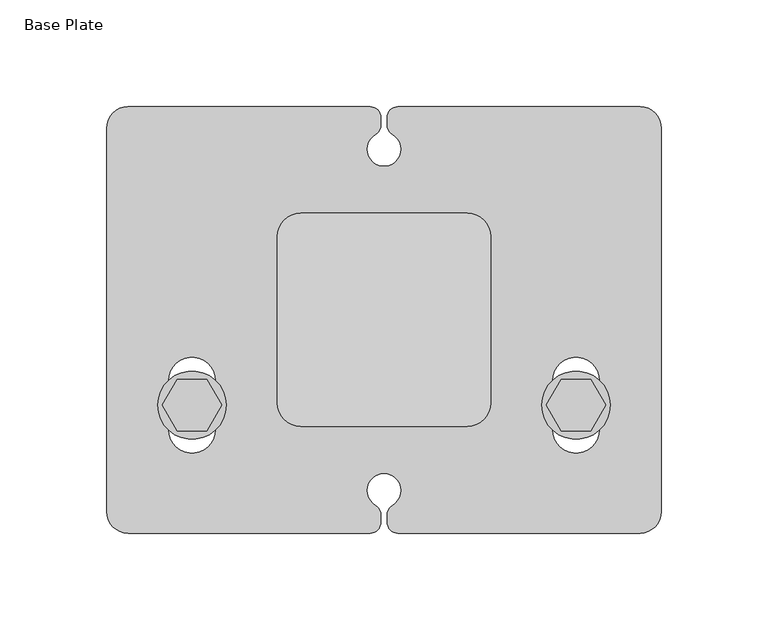
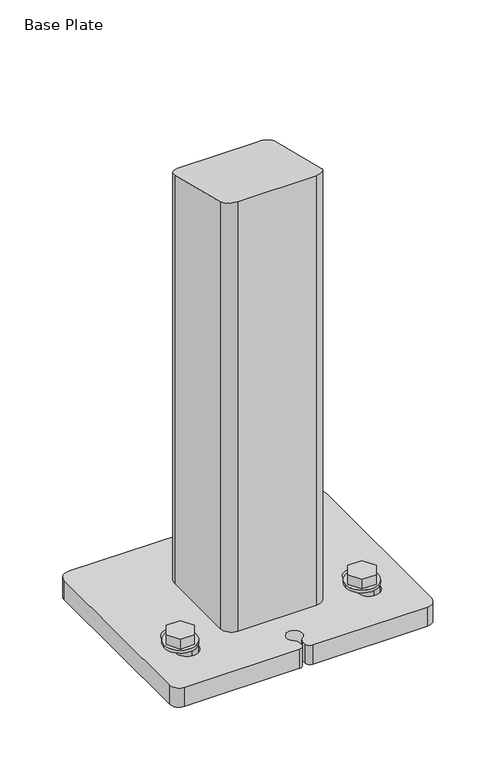
"""IFC4 building model written with IfcOpenShell, lengths in millimetres: proxy geometry, Base Plate."""

from ifc_helpers import new_model, si_unit, point, frame, frame_2d, origin, origin_with_axes, place, context, project, spatial, polyline, circle_curve, ellipse_curve, trimmed, segment, composite_curve, outline, extrude, source, transform, mapped, element, save
from ifc_brep_helpers import plane_surface, cylinder_surface, revolved_surface, advanced_brep


def base_plate_63f8fa1d(model_context):
    return source(origin(), model_context, "Body", "SolidModel", [
        advanced_brep(
        [(-83.0, 22.1243557, 33.0), (-97.0, 22.1243557, 33.0), (-104.0, 10.0, 33.0), (-97.0, -2.1243557, 33.0), (-83.0, -2.1243557, 33.0), (-76.0, 10.0, 33.0), (-100.0, 10.0, 0.0), (-80.0, 10.0, 0.0), (-80.0, 10.0, 20.0), (-100.0, 10.0, 20.0), (-106.0, 10.0, 23.0), (-74.0, 10.0, 23.0), (-97.0, 22.1243557, 23.0), (-83.0, 22.1243557, 23.0), (-76.0, 10.0, 23.0), (-83.0, -2.1243557, 23.0), (-97.0, -2.1243557, 23.0), (-104.0, 10.0, 23.0), (-106.0, 10.0, 20.0), (-74.0, 10.0, 20.0)],
        [
            (0, 1),
            (1, 2),
            (2, 3),
            (3, 4),
            (4, 5),
            (5, 0),
            (6, 7, circle_curve(frame((-90.0, 10.0, 0.0), z_axis=(0.0, 0.0, -1.0), x_axis=(1.0, 0.0, 0.0)), 10.0)),
            (7, 6, circle_curve(frame((-90.0, 10.0, 0.0), z_axis=(0.0, 0.0, -1.0), x_axis=(1.0, 0.0, 0.0)), 10.0)),
            (7, 8),
            (8, 9, circle_curve(frame((-90.0, 10.0, 20.0), z_axis=(0.0, 0.0, -1.0), x_axis=(1.0, 0.0, 0.0)), 10.0)),
            (9, 6),
            (9, 8, circle_curve(frame((-90.0, 10.0, 20.0), z_axis=(0.0, 0.0, -1.0), x_axis=(1.0, 0.0, 0.0)), 10.0)),
            (10, 11, circle_curve(frame((-90.0, 10.0, 23.0), z_axis=(0.0, 0.0, 1.0), x_axis=(1.0, 0.0, 0.0)), 16.0)),
            (11, 10, circle_curve(frame((-90.0, 10.0, 23.0), z_axis=(0.0, 0.0, 1.0), x_axis=(1.0, 0.0, 0.0)), 16.0)),
            (12, 13),
            (13, 14),
            (14, 15),
            (15, 16),
            (16, 17),
            (17, 12),
            (18, 19, circle_curve(frame((-90.0, 10.0, 20.0), z_axis=(0.0, 0.0, -1.0), x_axis=(1.0, 0.0, 0.0)), 16.0)),
            (19, 18, circle_curve(frame((-90.0, 10.0, 20.0), z_axis=(0.0, 0.0, -1.0), x_axis=(1.0, 0.0, 0.0)), 16.0)),
            (10, 18),
            (19, 11),
            (0, 13),
            (12, 1),
            (17, 2),
            (16, 3),
            (15, 4),
            (14, 5),
        ],
        [
            plane_surface(frame((-80.0, 10.0, 33.0), z_axis=(0.0, 0.0, 1.0), x_axis=(0.0, 1.0, 0.0))),
            plane_surface(frame((-80.0, 10.0, 0.0), z_axis=(0.0, 0.0, -1.0), x_axis=(0.0, -1.0, 0.0))),
            cylinder_surface(frame((-90.0, 10.0, 0.0), z_axis=(0.0, 0.0, 1.0), x_axis=(1.0, 0.0, 0.0)), 10.0),
            plane_surface(frame((-74.0, 10.0, 23.0), z_axis=(0.0, 0.0, 1.0), x_axis=(0.0, 1.0, 0.0))),
            plane_surface(frame((-74.0, 10.0, 20.0), z_axis=(0.0, 0.0, -1.0), x_axis=(0.0, -1.0, 0.0))),
            cylinder_surface(frame((-90.0, 10.0, 20.0), z_axis=(0.0, 0.0, 1.0), x_axis=(1.0, 0.0, 0.0)), 16.0),
            plane_surface(frame((-83.0, 22.1243557, 33.0), z_axis=(0.0, 1.0, 0.0), x_axis=(0.0, 0.0, -1.0))),
            plane_surface(frame((-97.0, 22.1243557, 33.0), z_axis=(-0.8660254037844327, 0.5000000000000103, 0.0), x_axis=(0.0, 0.0, -1.0))),
            plane_surface(frame((-104.0, 10.0, 33.0), z_axis=(-0.8660254037844454, -0.4999999999999884, 0.0), x_axis=(0.0, 0.0, -1.0))),
            plane_surface(frame((-97.0, -2.1243557, 33.0), z_axis=(0.0, -1.0, 0.0), x_axis=(0.0, 0.0, -1.0))),
            plane_surface(frame((-83.0, -2.1243557, 33.0), z_axis=(0.8660254037844313, -0.5000000000000129, 0.0), x_axis=(0.0, 0.0, -1.0))),
            plane_surface(frame((-76.0, 10.0, 33.0), z_axis=(0.866025403784444, 0.4999999999999908, 0.0), x_axis=(0.0, 0.0, -1.0))),
        ],
        [
            (0, [[1, 2, 3, 4, 5, 6]]),
            (1, [[7, 8]]),
            (2, [[-8, 9, 10, 11]]),
            (2, [[-7, -11, 12, -9]]),
            (3, [[13, 14], [15, 16, 17, 18, 19, 20]]),
            (4, [[21, 22], [-10, -12]]),
            (5, [[-13, 23, -22, 24]]),
            (5, [[-14, -24, -21, -23]]),
            (6, [[-1, 25, -15, 26]]),
            (7, [[-2, -26, -20, 27]]),
            (8, [[-3, -27, -19, 28]]),
            (9, [[-4, -28, -18, 29]]),
            (10, [[-5, -29, -17, 30]]),
            (11, [[-6, -30, -16, -25]]),
        ],
    ),
        advanced_brep(
        [(97.0, 22.1243557, 33.0), (83.0, 22.1243557, 33.0), (76.0, 10.0, 33.0), (83.0, -2.1243557, 33.0), (97.0, -2.1243557, 33.0), (104.0, 10.0, 33.0), (80.0, 10.0, 0.0), (100.0, 10.0, 0.0), (100.0, 10.0, 20.0), (80.0, 10.0, 20.0), (74.0, 10.0, 23.0), (106.0, 10.0, 23.0), (83.0, 22.1243557, 23.0), (97.0, 22.1243557, 23.0), (104.0, 10.0, 23.0), (97.0, -2.1243557, 23.0), (83.0, -2.1243557, 23.0), (76.0, 10.0, 23.0), (74.0, 10.0, 20.0), (106.0, 10.0, 20.0)],
        [
            (0, 1),
            (1, 2),
            (2, 3),
            (3, 4),
            (4, 5),
            (5, 0),
            (6, 7, circle_curve(frame((90.0, 10.0, 0.0), z_axis=(0.0, 0.0, -1.0), x_axis=(1.0, 0.0, 0.0)), 10.0)),
            (7, 6, circle_curve(frame((90.0, 10.0, 0.0), z_axis=(0.0, 0.0, -1.0), x_axis=(1.0, 0.0, 0.0)), 10.0)),
            (7, 8),
            (8, 9, circle_curve(frame((90.0, 10.0, 20.0), z_axis=(0.0, 0.0, -1.0), x_axis=(1.0, 0.0, 0.0)), 10.0)),
            (9, 6),
            (9, 8, circle_curve(frame((90.0, 10.0, 20.0), z_axis=(0.0, 0.0, -1.0), x_axis=(1.0, 0.0, 0.0)), 10.0)),
            (10, 11, circle_curve(frame((90.0, 10.0, 23.0), z_axis=(0.0, 0.0, 1.0), x_axis=(1.0, 0.0, 0.0)), 16.0)),
            (11, 10, circle_curve(frame((90.0, 10.0, 23.0), z_axis=(0.0, 0.0, 1.0), x_axis=(1.0, 0.0, 0.0)), 16.0)),
            (12, 13),
            (13, 14),
            (14, 15),
            (15, 16),
            (16, 17),
            (17, 12),
            (18, 19, circle_curve(frame((90.0, 10.0, 20.0), z_axis=(0.0, 0.0, -1.0), x_axis=(1.0, 0.0, 0.0)), 16.0)),
            (19, 18, circle_curve(frame((90.0, 10.0, 20.0), z_axis=(0.0, 0.0, -1.0), x_axis=(1.0, 0.0, 0.0)), 16.0)),
            (10, 18),
            (19, 11),
            (0, 13),
            (12, 1),
            (17, 2),
            (16, 3),
            (15, 4),
            (14, 5),
        ],
        [
            plane_surface(frame((-80.0, 10.0, 33.0), z_axis=(0.0, 0.0, 1.0), x_axis=(0.0, 1.0, 0.0))),
            plane_surface(frame((-80.0, 10.0, 0.0), z_axis=(0.0, 0.0, -1.0), x_axis=(0.0, -1.0, 0.0))),
            cylinder_surface(frame((90.0, 10.0, 20.0), z_axis=(0.0, 0.0, 1.0), x_axis=(1.0, 0.0, 0.0)), 10.0),
            plane_surface(frame((-74.0, 10.0, 23.0), z_axis=(0.0, 0.0, 1.0), x_axis=(0.0, 1.0, 0.0))),
            plane_surface(frame((-74.0, 10.0, 20.0), z_axis=(0.0, 0.0, -1.0), x_axis=(0.0, -1.0, 0.0))),
            cylinder_surface(frame((90.0, 10.0, 20.0), z_axis=(0.0, 0.0, 1.0), x_axis=(1.0, 0.0, 0.0)), 16.0),
            plane_surface(frame((97.0, 22.1243557, 33.0), z_axis=(0.0, 1.0, 0.0), x_axis=(0.0, 0.0, -1.0))),
            plane_surface(frame((83.0, 22.1243557, 33.0), z_axis=(-0.8660254037844327, 0.5000000000000103, 0.0), x_axis=(0.0, 0.0, -1.0))),
            plane_surface(frame((76.0, 10.0, 33.0), z_axis=(-0.8660254037844454, -0.4999999999999884, 0.0), x_axis=(0.0, 0.0, -1.0))),
            plane_surface(frame((83.0, -2.1243557, 33.0), z_axis=(0.0, -1.0, 0.0), x_axis=(0.0, 0.0, -1.0))),
            plane_surface(frame((97.0, -2.1243557, 33.0), z_axis=(0.8660254037844313, -0.5000000000000129, 0.0), x_axis=(0.0, 0.0, -1.0))),
            plane_surface(frame((104.0, 10.0, 33.0), z_axis=(0.866025403784444, 0.4999999999999908, 0.0), x_axis=(0.0, 0.0, -1.0))),
        ],
        [
            (0, [[1, 2, 3, 4, 5, 6]]),
            (1, [[7, 8]]),
            (2, [[-8, 9, 10, 11]]),
            (2, [[-7, -11, 12, -9]]),
            (3, [[13, 14], [15, 16, 17, 18, 19, 20]]),
            (4, [[21, 22], [-10, -12]]),
            (5, [[-13, 23, -22, 24]]),
            (5, [[-14, -24, -21, -23]]),
            (6, [[-1, 25, -15, 26]]),
            (7, [[-2, -26, -20, 27]]),
            (8, [[-3, -27, -19, 28]]),
            (9, [[-4, -28, -18, 29]]),
            (10, [[-5, -29, -17, 30]]),
            (11, [[-6, -30, -16, -25]]),
        ],
    ),
        advanced_brep(
        [(50.0, 89.0, 20.0), (50.0, 11.0, 20.0), (39.0, 0.0, 20.0), (-39.0, 0.0, 20.0), (-50.0, 11.0, 20.0), (-50.0, 89.0, 20.0), (-39.0, 100.0, 20.0), (39.0, 100.0, 20.0), (39.0, 94.0, 20.0), (-39.0, 94.0, 20.0), (-44.0, 89.0, 20.0), (-44.0, 11.0, 20.0), (-39.0, 6.0, 20.0), (39.0, 6.0, 20.0), (44.0, 11.0, 20.0), (44.0, 89.0, 20.0), (39.0, 100.0, 439.0), (39.0, 100.0, 445.0), (50.0, 89.0, 447.75), (50.0, 89.0, 446.7192236), (50.0, 89.0, 439.0), (-39.0, 100.0, 439.0), (-39.0, 100.0, 445.0), (-50.0, 89.0, 439.0), (-50.0, 89.0, 446.7192236), (-50.0, 89.0, 447.75), (-50.0, 11.0, 439.0), (-50.0, 11.0, 466.2192236), (-50.0, 11.0, 467.25), (-39.0, 0.0, 439.0), (-39.0, 0.0, 468.9692236), (-39.0, 0.0, 470.0), (39.0, 0.0, 439.0), (39.0, 0.0, 468.9692236), (39.0, 0.0, 470.0), (50.0, 11.0, 439.0), (50.0, 11.0, 466.2192236), (50.0, 11.0, 467.25), (44.0, 89.0, 439.0), (39.0, 94.0, 439.0), (44.0, 11.0, 439.0), (39.0, 6.0, 439.0), (-39.0, 6.0, 439.0), (-44.0, 11.0, 439.0), (-44.0, 89.0, 439.0), (-39.0, 94.0, 439.0)],
        [
            (0, 1),
            (1, 2, circle_curve(frame((39.0, 11.0, 20.0), z_axis=(0.0, 0.0, -1.0), x_axis=(-1.0, 0.0, 0.0)), 11.0)),
            (2, 3),
            (3, 4, circle_curve(frame((-39.0, 11.0, 20.0), z_axis=(0.0, 0.0, -1.0), x_axis=(-1.0, 0.0, 0.0)), 11.0)),
            (4, 5),
            (5, 6, circle_curve(frame((-39.0, 89.0, 20.0), z_axis=(0.0, 0.0, -1.0), x_axis=(-1.0, 0.0, 0.0)), 11.0)),
            (6, 7),
            (7, 0, circle_curve(frame((39.0, 89.0, 20.0), z_axis=(0.0, 0.0, -1.0), x_axis=(-1.0, 0.0, 0.0)), 11.0)),
            (8, 9),
            (9, 10, circle_curve(frame((-39.0, 89.0, 20.0), z_axis=(0.0, 0.0, 1.0), x_axis=(-1.0, 0.0, 0.0)), 5.0)),
            (10, 11),
            (11, 12, circle_curve(frame((-39.0, 11.0, 20.0), z_axis=(0.0, 0.0, 1.0), x_axis=(-1.0, 0.0, 0.0)), 5.0)),
            (12, 13),
            (13, 14, circle_curve(frame((39.0, 11.0, 20.0), z_axis=(0.0, 0.0, 1.0), x_axis=(-1.0, 0.0, 0.0)), 5.0)),
            (14, 15),
            (15, 8, circle_curve(frame((39.0, 89.0, 20.0), z_axis=(0.0, 0.0, 1.0), x_axis=(-1.0, 0.0, 0.0)), 5.0)),
            (7, 16),
            (16, 17),
            (17, 18, ellipse_curve(frame((39.0, 89.0, 447.75), z_axis=(0.0, -0.24253562503635187, -0.9701425001453272), x_axis=(0.0, -0.9701425001453272, 0.24253562503635165)), 11.3385405, 11.0)),
            (18, 19),
            (19, 20),
            (20, 0),
            (6, 21),
            (21, 22),
            (22, 17),
            (5, 23),
            (23, 24),
            (24, 25),
            (25, 22, ellipse_curve(frame((-39.0, 89.0, 447.75), z_axis=(0.0, -0.24253562503635187, -0.9701425001453272), x_axis=(0.0, -0.9701425001453272, 0.24253562503635165)), 11.3385405, 11.0)),
            (4, 26),
            (26, 27),
            (27, 28),
            (28, 25),
            (3, 29),
            (29, 30),
            (30, 31),
            (31, 28, ellipse_curve(frame((-39.0, 11.0, 467.25), z_axis=(0.0, -0.24253562503635187, -0.9701425001453272), x_axis=(0.0, -0.9701425001453272, 0.24253562503635165)), 11.3385405, 11.0)),
            (2, 32),
            (32, 33),
            (33, 34),
            (34, 31),
            (1, 35),
            (35, 36),
            (36, 37),
            (37, 34, ellipse_curve(frame((39.0, 11.0, 467.25), z_axis=(0.0, -0.24253562503635187, -0.9701425001453272), x_axis=(0.0, -0.9701425001453272, 0.24253562503635165)), 11.3385405, 11.0)),
            (18, 37),
            (15, 38),
            (38, 39, circle_curve(frame((39.0, 89.0, 439.0), z_axis=(0.0, 0.0, 1.0), x_axis=(-1.0, 0.0, 0.0)), 5.0)),
            (39, 8),
            (14, 40),
            (40, 38),
            (13, 41),
            (41, 40, circle_curve(frame((39.0, 11.0, 439.0), z_axis=(0.0, 0.0, 1.0), x_axis=(-1.0, 0.0, 0.0)), 5.0)),
            (12, 42),
            (42, 41),
            (11, 43),
            (43, 42, circle_curve(frame((-39.0, 11.0, 439.0), z_axis=(0.0, 0.0, 1.0), x_axis=(-1.0, 0.0, 0.0)), 5.0)),
            (10, 44),
            (44, 43),
            (9, 45),
            (45, 44, circle_curve(frame((-39.0, 89.0, 439.0), z_axis=(0.0, 0.0, 1.0), x_axis=(-1.0, 0.0, 0.0)), 5.0)),
            (39, 45),
        ],
        [
            plane_surface(frame((28.0, 89.0, 20.0), z_axis=(0.0, 0.0, -1.0), x_axis=(0.0, 1.0, 0.0))),
            cylinder_surface(frame((39.0, 89.0, 20.0), z_axis=(0.0, 0.0, 1.0), x_axis=(-1.0, 0.0, 0.0)), 11.0),
            plane_surface(frame((39.0, 100.0, 470.0), z_axis=(0.0, 1.0, 0.0), x_axis=(0.0, 0.0, -1.0))),
            cylinder_surface(frame((-39.0, 89.0, 20.0), z_axis=(0.0, 0.0, 1.0), x_axis=(-1.0, 0.0, 0.0)), 11.0),
            plane_surface(frame((-50.0, 89.0, 470.0), z_axis=(-1.0, 0.0, 0.0), x_axis=(0.0, 0.0, -1.0))),
            cylinder_surface(frame((-39.0, 11.0, 20.0), z_axis=(0.0, 0.0, 1.0), x_axis=(-1.0, 0.0, 0.0)), 11.0),
            plane_surface(frame((-39.0, 0.0, 470.0), z_axis=(0.0, -1.0, 0.0), x_axis=(0.0, 0.0, -1.0))),
            cylinder_surface(frame((39.0, 11.0, 20.0), z_axis=(0.0, 0.0, 1.0), x_axis=(-1.0, 0.0, 0.0)), 11.0),
            plane_surface(frame((50.0, 11.0, 470.0), z_axis=(1.0, 0.0, 0.0), x_axis=(0.0, 0.0, -1.0))),
            revolved_surface(polyline([(34.0, 89.0, 20.0), (34.0, 89.0, 439.0)]), (39.0, 89.0, 20.0), (0.0, 0.0, -1.0)),
            plane_surface(frame((44.0, 89.0, 470.0), z_axis=(-1.0, 0.0, 0.0), x_axis=(0.0, 0.0, -1.0))),
            revolved_surface(polyline([(34.0, 11.0, 20.0), (34.0, 11.0, 439.0)]), (39.0, 11.0, 20.0), (0.0, 0.0, -1.0)),
            plane_surface(frame((39.0, 6.0, 470.0), z_axis=(0.0, 1.0, 0.0), x_axis=(0.0, 0.0, -1.0))),
            revolved_surface(polyline([(-44.0, 11.0, 20.0), (-44.0, 11.0, 439.0)]), (-39.0, 11.0, 20.0), (0.0, 0.0, -1.0)),
            plane_surface(frame((-44.0, 11.0, 470.0), z_axis=(1.0, 0.0, 0.0), x_axis=(0.0, 0.0, -1.0))),
            revolved_surface(polyline([(-44.0, 89.0, 20.0), (-44.0, 89.0, 439.0)]), (-39.0, 89.0, 20.0), (0.0, 0.0, -1.0)),
            plane_surface(frame((-39.0, 94.0, 470.0), z_axis=(0.0, -1.0, 0.0), x_axis=(0.0, 0.0, -1.0))),
            plane_surface(frame((28.0, 89.0, 439.0), z_axis=(0.0, 0.0, -1.0), x_axis=(0.0, 1.0, 0.0))),
            plane_surface(frame((50.0, 0.0, 470.0), z_axis=(0.0, 0.24253562503635187, 0.9701425001453272), x_axis=(-1.0, 0.0, 0.0))),
        ],
        [
            (0, [[1, 2, 3, 4, 5, 6, 7, 8], [9, 10, 11, 12, 13, 14, 15, 16]]),
            (1, [[-8, 17, 18, 19, 20, 21, 22]]),
            (2, [[-7, 23, 24, 25, -18, -17]]),
            (3, [[-6, 26, 27, 28, 29, -24, -23]]),
            (4, [[-5, 30, 31, 32, 33, -28, -27, -26]]),
            (5, [[-4, 34, 35, 36, 37, -32, -31, -30]]),
            (6, [[-3, 38, 39, 40, 41, -36, -35, -34]]),
            (7, [[-2, 42, 43, 44, 45, -40, -39, -38]]),
            (8, [[-1, -22, -21, -20, 46, -44, -43, -42]]),
            (9, [[-16, 47, 48, 49]]),
            (10, [[-15, 50, 51, -47]]),
            (11, [[-14, 52, 53, -50]]),
            (12, [[-13, 54, 55, -52]]),
            (13, [[-12, 56, 57, -54]]),
            (14, [[-11, 58, 59, -56]]),
            (15, [[-10, 60, 61, -58]]),
            (16, [[-9, -49, 62, -60]]),
            (17, [[-48, -51, -53, -55, -57, -59, -61, -62]]),
            (18, [[-19, -25, -29, -33, -37, -41, -45, -46]]),
        ],
    ),
        extrude(outline(composite_curve([segment(polyline([(-130.0, -40.0), (-130.0, 140.0)]), True, "CONTINUOUS"), segment(trimmed(circle_curve(frame_2d((-120.0, 140.0)), 10.0), [point((-130.0, 140.0))], [point((-120.0, 150.0))], False, "CARTESIAN"), True, "CONTINUOUS"), segment(polyline([(-120.0, 150.0), (-6.5, 150.0)]), True, "CONTINUOUS"), segment(trimmed(circle_curve(frame_2d((-6.5, 145.0)), 5.0), [point((-6.5, 150.0))], [point((-1.5, 145.0))], False, "CARTESIAN"), True, "CONTINUOUS"), segment(polyline([(-1.5, 145.0), (-1.5, 141.2938483)]), True, "CONTINUOUS"), segment(trimmed(circle_curve(frame_2d((-6.5, 141.2938483)), 5.0), [point((-1.5, 141.2938483))], [point((-4.0, 136.9637213))], False, "CARTESIAN"), True, "CONTINUOUS"), segment(trimmed(circle_curve(frame_2d((0.0, 130.0355181)), 8.0), [point((-4.0, 136.9637213))], [point((4.0, 136.9637213))], True, "CARTESIAN"), True, "CONTINUOUS"), segment(trimmed(circle_curve(frame_2d((6.5, 141.2938483)), 5.0), [point((4.0, 136.9637213))], [point((1.5, 141.2938483))], False, "CARTESIAN"), True, "CONTINUOUS"), segment(polyline([(1.5, 141.2938483), (1.5, 145.0)]), True, "CONTINUOUS"), segment(trimmed(circle_curve(frame_2d((6.5, 145.0)), 5.0), [point((1.5, 145.0))], [point((6.5, 150.0))], False, "CARTESIAN"), True, "CONTINUOUS"), segment(polyline([(6.5, 150.0), (120.0, 150.0)]), True, "CONTINUOUS"), segment(trimmed(circle_curve(frame_2d((120.0, 140.0)), 10.0), [point((120.0, 150.0))], [point((130.0, 140.0))], False, "CARTESIAN"), True, "CONTINUOUS"), segment(polyline([(130.0, 140.0), (130.0, -40.0)]), True, "CONTINUOUS"), segment(trimmed(circle_curve(frame_2d((120.0, -40.0)), 10.0), [point((130.0, -40.0))], [point((120.0, -50.0))], False, "CARTESIAN"), True, "CONTINUOUS"), segment(polyline([(120.0, -50.0), (6.5, -50.0)]), True, "CONTINUOUS"), segment(trimmed(circle_curve(frame_2d((6.5, -45.0)), 5.0), [point((6.5, -50.0))], [point((1.5, -45.0))], False, "CARTESIAN"), True, "CONTINUOUS"), segment(polyline([(1.5, -45.0), (1.5, -41.2938483)]), True, "CONTINUOUS"), segment(trimmed(circle_curve(frame_2d((6.5, -41.2938483)), 5.0), [point((1.5, -41.2938483))], [point((4.0, -36.9637213))], False, "CARTESIAN"), True, "CONTINUOUS"), segment(trimmed(circle_curve(frame_2d((0.0, -30.0355181)), 8.0), [point((4.0, -36.9637213))], [point((-4.0, -36.9637213))], True, "CARTESIAN"), True, "CONTINUOUS"), segment(trimmed(circle_curve(frame_2d((-6.5, -41.2938483)), 5.0), [point((-4.0, -36.9637213))], [point((-1.5, -41.2938483))], False, "CARTESIAN"), True, "CONTINUOUS"), segment(polyline([(-1.5, -41.2938483), (-1.5, -45.0)]), True, "CONTINUOUS"), segment(trimmed(circle_curve(frame_2d((-6.5, -45.0)), 5.0), [point((-1.5, -45.0))], [point((-6.5, -50.0))], False, "CARTESIAN"), True, "CONTINUOUS"), segment(polyline([(-6.5, -50.0), (-120.0, -50.0)]), True, "CONTINUOUS"), segment(trimmed(circle_curve(frame_2d((-120.0, -40.0)), 10.0), [point((-120.0, -50.0))], [point((-130.0, -40.0))], False, "CARTESIAN"), True, "CONTINUOUS")], self_intersect=False), holes=[composite_curve([segment(polyline([(30.0, 90.0), (-30.0, 90.0)]), True, "CONTINUOUS"), segment(trimmed(circle_curve(frame_2d((-30.0, 80.0)), 10.0), [point((-30.0, 90.0))], [point((-40.0, 80.0))], True, "CARTESIAN"), True, "CONTINUOUS"), segment(polyline([(-40.0, 80.0), (-40.0, 20.0)]), True, "CONTINUOUS"), segment(trimmed(circle_curve(frame_2d((-30.0, 20.0)), 10.0), [point((-40.0, 20.0))], [point((-30.0, 10.0))], True, "CARTESIAN"), True, "CONTINUOUS"), segment(polyline([(-30.0, 10.0), (30.0, 10.0)]), True, "CONTINUOUS"), segment(trimmed(circle_curve(frame_2d((30.0, 20.0)), 10.0), [point((30.0, 10.0))], [point((40.0, 20.0))], True, "CARTESIAN"), True, "CONTINUOUS"), segment(polyline([(40.0, 20.0), (40.0, 80.0)]), True, "CONTINUOUS"), segment(trimmed(circle_curve(frame_2d((30.0, 80.0)), 10.0), [point((40.0, 80.0))], [point((30.0, 90.0))], True, "CARTESIAN"), True, "CONTINUOUS")], self_intersect=False), composite_curve([segment(polyline([(-101.0, 21.5), (-101.0, -1.5)]), True, "CONTINUOUS"), segment(trimmed(circle_curve(frame_2d((-90.0, -1.5)), 11.0), [point((-101.0, -1.5))], [point((-79.0, -1.5))], True, "CARTESIAN"), True, "CONTINUOUS"), segment(polyline([(-79.0, -1.5), (-79.0, 21.5)]), True, "CONTINUOUS"), segment(trimmed(circle_curve(frame_2d((-90.0, 21.5)), 11.0), [point((-79.0, 21.5))], [point((-101.0, 21.5))], True, "CARTESIAN"), True, "CONTINUOUS")], self_intersect=False), composite_curve([segment(polyline([(79.0, 21.5), (79.0, -1.5)]), True, "CONTINUOUS"), segment(trimmed(circle_curve(frame_2d((90.0, -1.5)), 11.0), [point((79.0, -1.5))], [point((101.0, -1.5))], True, "CARTESIAN"), True, "CONTINUOUS"), segment(polyline([(101.0, -1.5), (101.0, 21.5)]), True, "CONTINUOUS"), segment(trimmed(circle_curve(frame_2d((90.0, 21.5)), 11.0), [point((101.0, 21.5))], [point((79.0, 21.5))], True, "CARTESIAN"), True, "CONTINUOUS")], self_intersect=False)]), origin_with_axes(), (0.0, 0.0, 1.0), 20.0),
    ])


if __name__ == "__main__":
    model = new_model("IFC4")
    model_context = context("Model", 3, world=origin())
    ifc_project = project(units=[si_unit("LENGTHUNIT", "METRE", prefix="MILLI")], contexts=[model_context])
    site = spatial("IfcSite", under=ifc_project)
    building = spatial("IfcBuilding", under=site)
    placement = place(None, origin())
    base_plate_shape = base_plate_63f8fa1d(model_context)
    element("IfcBuildingElementProxy", 1, Name="Base Plate", ObjectType="Base Plate", at=placement, inside=building, context=model_context, shape_type="MappedRepresentation", body=[
        mapped(base_plate_shape, transform((0.0, 0.0, 0.0), x_axis=(1.0, 0.0, 0.0), y_axis=(0.0, 1.0, 0.0), z_axis=(0.0, 0.0, 1.0))),
    ])
    save(model, "model.ifc")
